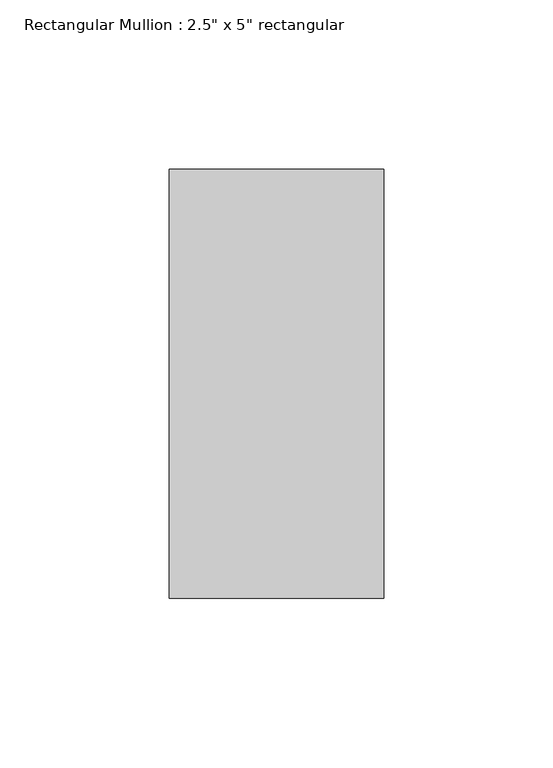
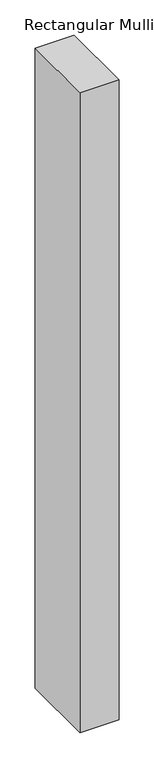
"""IFC4 building model written with IfcOpenShell, lengths in millimetres: member geometry."""

from ifc_helpers import new_model, si_unit, frame, origin, place, context, project, spatial, polyline, outline, extrude, source, transform, mapped, element, save


def member_f5e9651f(model_context):
    return source(origin(), model_context, "Body", "SweptSolid", [
        extrude(outline(polyline([(0.0, 63.5), (0.0, -63.5), (-63.5, -63.5), (-63.5, 63.5), (0.0, 63.5)])), frame((0.0, 0.0, -1104.8999998), z_axis=(0.0, 0.0, 1.0), x_axis=(1.0, 0.0, 0.0)), (0.0, 0.0, 1.0), 1104.8999998),
    ])


if __name__ == "__main__":
    model = new_model("IFC4")
    model_context = context("Model", 3, world=origin())
    ifc_project = project(units=[si_unit("LENGTHUNIT", "METRE", prefix="MILLI")], contexts=[model_context])
    site = spatial("IfcSite", under=ifc_project)
    building = spatial("IfcBuilding", under=site)
    placement = place(None, origin())
    member_shape = member_f5e9651f(model_context)
    element("IfcMember", 1, ObjectType="Rectangular Mullion : 2.5\" x 5\" rectangular", at=placement, inside=building, context=model_context, shape_type="MappedRepresentation", body=[
        mapped(member_shape, transform((0.0, 0.0, 0.0), x_axis=(1.0, 0.0, 0.0), y_axis=(0.0, 1.0, 0.0), z_axis=(0.0, 0.0, 1.0))),
    ])
    save(model, "model.ifc")
